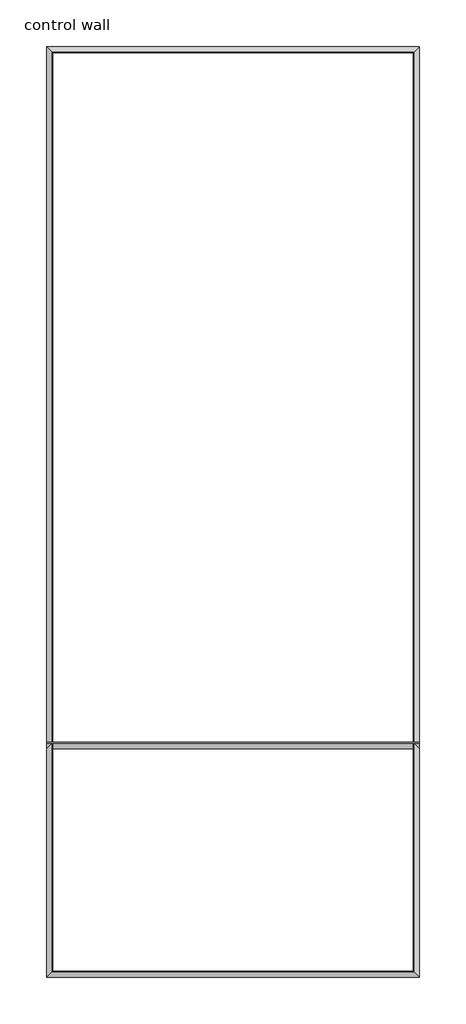
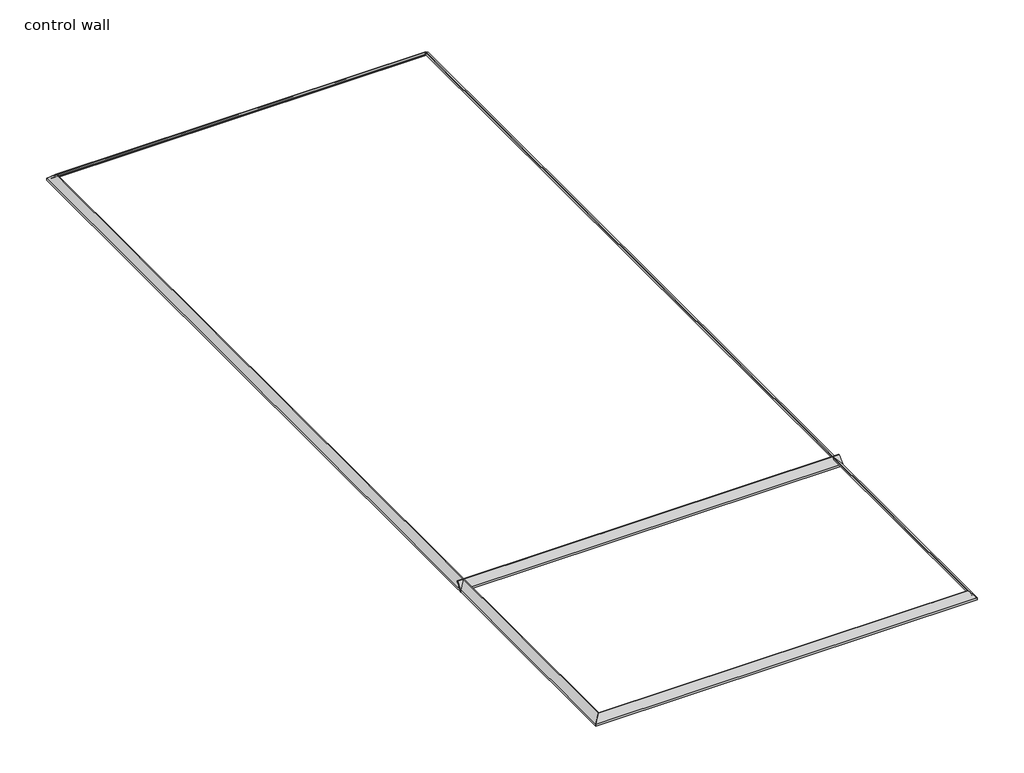
# One storey: 5 proxies.
"""IFC4 building model written with IfcOpenShell, lengths in millimetres."""

import ifcopenshell
import ifcopenshell.guid

model = None  # the IFC model being written
_history = None  # IfcOwnerHistory: only IFC2X3 demands one
_inside = {}  # id of a spatial element -> (the spatial element, [elements in it])
_under = {}  # id of a project, library or spatial element -> (it, [spatial elements below it])
_declared = {}  # id of a project -> (the project, [libraries it declares])
_typed = {}  # id of a type object -> (the type object, [elements of that type])
_made_of = {}  # id of a material, layer set ... -> (it, [elements and type objects made of it])


def new_model(schema):
    """Start an empty IFC model of exactly this schema.

    Asked for "IFC4X3", IfcOpenShell would pick the latest addendum, in which some entities
    have other attributes; the version numbers below select the first issue.
    IFC2X3 requires an IfcOwnerHistory on every rooted entity: one is made here for all.
    """
    global model, _history
    if schema == "IFC4X3":
        model = ifcopenshell.file(schema_version=(4, 3, 0, 0))
    else:
        model = ifcopenshell.file(schema=schema)
    _inside.clear()
    _under.clear()
    _declared.clear()
    _typed.clear()
    _made_of.clear()
    _history = None
    if model.schema == "IFC2X3":
        org = make("IfcOrganization", Name="unknown")
        user = make(
            "IfcPersonAndOrganization",
            ThePerson=make("IfcPerson", FamilyName="unknown"),
            TheOrganization=org,
        )
        app = make(
            "IfcApplication",
            ApplicationDeveloper=org,
            Version="unknown",
            ApplicationFullName="unknown",
            ApplicationIdentifier="unknown",
        )
        _history = make(
            "IfcOwnerHistory",
            OwningUser=user,
            OwningApplication=app,
            ChangeAction="ADDED",
            CreationDate=0,
        )
    return model


def make(cls, **values):
    """One entity of the class cls with the attributes given. An attribute that is None is left unset."""
    return model.create_entity(
        cls, **{name: value for name, value in values.items() if value is not None}
    )


def rooted(cls, **values):
    """An entity with a GlobalId (a new one), such as an element, a storey or a relation."""
    return make(cls, GlobalId=ifcopenshell.guid.new(), OwnerHistory=_history, **values)


def si_unit(unit_type, name, prefix=None):
    """IfcSIUnit, for example si_unit("LENGTHUNIT", "METRE", prefix="MILLI")."""
    return make("IfcSIUnit", UnitType=unit_type, Prefix=prefix, Name=name)


def assignment(units):
    """IfcUnitAssignment: the units of a project."""
    return None if units is None else make("IfcUnitAssignment", Units=units)


def point(xyz):
    """IfcCartesianPoint."""
    return None if xyz is None else make("IfcCartesianPoint", Coordinates=xyz)


def direction(xyz):
    """IfcDirection."""
    return None if xyz is None else make("IfcDirection", DirectionRatios=xyz)


def frame(location, z_axis=None, x_axis=None):
    """IfcAxis2Placement3D, a coordinate frame: its origin and axes. An axis left out is left unset."""
    return make(
        "IfcAxis2Placement3D",
        Location=point(location),
        Axis=direction(z_axis),
        RefDirection=direction(x_axis),
    )


def frame_2d(location, x_axis=None):
    """IfcAxis2Placement2D, a coordinate frame in the plane: its origin and x axis."""
    return make(
        "IfcAxis2Placement2D", Location=point(location), RefDirection=direction(x_axis)
    )


def origin():
    """The frame at (0, 0, 0) with its axes left unset."""
    return frame((0.0, 0.0, 0.0))


def place(relative_to, where):
    """IfcLocalPlacement: puts the frame where relative to a parent placement (None: the world)."""
    return make(
        "IfcLocalPlacement", PlacementRelTo=relative_to, RelativePlacement=where
    )


def context(
    kind, dimensions, precision=None, world=None, true_north=None, identifier=None
):
    """IfcGeometricRepresentationContext, for example the 3D "Model" context."""
    return make(
        "IfcGeometricRepresentationContext",
        ContextIdentifier=identifier,
        ContextType=kind,
        CoordinateSpaceDimension=dimensions,
        Precision=precision,
        WorldCoordinateSystem=world,
        TrueNorth=true_north,
    )


def project(units=None, contexts=None):
    """IfcProject with its units and contexts."""
    return rooted(
        "IfcProject",
        Name="project",
        RepresentationContexts=contexts,
        UnitsInContext=assignment(units),
    )


def spatial(cls, under=None, at=None, **own):
    """A site, building, storey or space (cls), placed at a placement, below another one or the project."""
    s = rooted(cls, ObjectPlacement=at, **own)
    if under is not None:
        _under.setdefault(under.id(), (under, []))[1].append(s)
    return s


def polyline(points):
    """IfcPolyline through the points."""
    return make("IfcPolyline", Points=[point(p) for p in points])


def circle_curve(where, radius):
    """IfcCircle in the frame where."""
    return make("IfcCircle", Position=where, Radius=radius)


def ellipse_curve(where, semi_axis1, semi_axis2):
    """IfcEllipse in the frame where."""
    return make(
        "IfcEllipse", Position=where, SemiAxis1=semi_axis1, SemiAxis2=semi_axis2
    )


def trimmed(basis, trim1, trim2, sense, master):
    """IfcTrimmedCurve: the piece of a basis curve between two trims."""
    return make(
        "IfcTrimmedCurve",
        BasisCurve=basis,
        Trim1=trim1,
        Trim2=trim2,
        SenseAgreement=sense,
        MasterRepresentation=master,
    )


def segment(curve, same_sense, transition):
    """IfcCompositeCurveSegment."""
    return make(
        "IfcCompositeCurveSegment",
        Transition=transition,
        SameSense=same_sense,
        ParentCurve=curve,
    )


def composite_curve(segments, self_intersect=None):
    """IfcCompositeCurve: segments joined end to end."""
    return make("IfcCompositeCurve", Segments=segments, SelfIntersect=self_intersect)


def outline(outer, holes=None, kind="AREA"):
    """IfcArbitraryClosedProfileDef: a profile drawn as a closed curve; with holes, ...WithVoids."""
    if holes is None:
        return make("IfcArbitraryClosedProfileDef", ProfileType=kind, OuterCurve=outer)
    return make(
        "IfcArbitraryProfileDefWithVoids",
        ProfileType=kind,
        OuterCurve=outer,
        InnerCurves=holes,
    )


def extrude(swept, where, along, depth):
    """IfcExtrudedAreaSolid: the profile swept, set in the frame where, extruded along a direction by depth."""
    return make(
        "IfcExtrudedAreaSolid",
        SweptArea=swept,
        Position=where,
        ExtrudedDirection=direction(along),
        Depth=depth,
    )


def shape(context_of_items, identifier, shape_type, items):
    """IfcShapeRepresentation: the items that make up one representation, for example the "Body"."""
    return make(
        "IfcShapeRepresentation",
        ContextOfItems=context_of_items,
        RepresentationIdentifier=identifier,
        RepresentationType=shape_type,
        Items=items,
    )


def made_of(thing, what):
    """Note that an element or type object is made of a material, layer set ...; save() writes the relation."""
    if what is not None:
        _made_of.setdefault(what.id(), (what, []))[1].append(thing)
    return thing


def element(
    cls,
    number,
    at=None,
    inside=None,
    cuts=None,
    type_object=None,
    material=None,
    context=None,
    identifier="Body",
    shape_type=None,
    held_by="IfcProductDefinitionShape",
    body=None,
    shapes=None,
    **own,
):
    """One element of the class cls, such as IfcWall. Its Tag is "e" and its number.

    at: its placement. inside: the storey or other place that contains it. cuts: it is an
    opening in that element (IfcRelVoidsElement). A single representation is given by context,
    identifier, shape_type and body (its items); several are given by shapes. held_by: the class
    of the entity that holds the representations. save() writes the other relations.
    """
    e = rooted(cls, Tag="e%d" % number, ObjectPlacement=at, **own)
    if body is not None:
        shapes = [shape(context, identifier, shape_type, body)]
    if shapes is not None:
        e.Representation = make(held_by, Representations=shapes)
    if inside is not None:
        _inside.setdefault(inside.id(), (inside, []))[1].append(e)
    if cuts is not None:
        rooted(
            "IfcRelVoidsElement", RelatingBuildingElement=cuts, RelatedOpeningElement=e
        )
    if type_object is not None:
        _typed.setdefault(type_object.id(), (type_object, []))[1].append(e)
    return made_of(e, material)


def aggregate(whole, parts):
    """IfcRelAggregates: a whole, such as a stair, and the parts it consists of."""
    return rooted("IfcRelAggregates", RelatingObject=whole, RelatedObjects=parts)


def save(model, path):
    """Write the relations noted so far, then the file.

    IfcRelAggregates (storeys below a building ...), IfcRelContainedInSpatialStructure (elements
    in a storey), IfcRelDefinesByType, IfcRelAssociatesMaterial and IfcRelDeclares: one each for
    every whole, place, type object, material and project.
    """
    for whole, parts in _under.values():
        aggregate(whole, parts)
    for where, things in _inside.values():
        rooted(
            "IfcRelContainedInSpatialStructure",
            RelatedElements=things,
            RelatingStructure=where,
        )
    for kind, things in _typed.values():
        rooted("IfcRelDefinesByType", RelatedObjects=things, RelatingType=kind)
    for what, things in _made_of.values():
        rooted("IfcRelAssociatesMaterial", RelatedObjects=things, RelatingMaterial=what)
    for by, libraries in _declared.values():
        rooted("IfcRelDeclares", RelatingContext=by, RelatedDefinitions=libraries)
    model.write(path)


def plane_surface(at):
    """IfcPlane: the flat surface through the origin of the frame at, square to its z axis."""
    return make("IfcPlane", Position=at)


def cylinder_surface(at, radius):
    """IfcCylindricalSurface: all points at the distance radius from the z axis of the frame at."""
    return make("IfcCylindricalSurface", Position=at, Radius=radius)


def revolved_surface(curve, axis_point, axis_direction):
    """IfcSurfaceOfRevolution: the curve turned about the line through axis_point along axis_direction."""
    return make(
        "IfcSurfaceOfRevolution",
        SweptCurve=make("IfcArbitraryOpenProfileDef", ProfileType="CURVE", Curve=curve),
        AxisPosition=make("IfcAxis1Placement", Location=point(axis_point), Axis=direction(axis_direction)),
    )


def advanced_brep(points, edges, surfaces, faces):
    """IfcAdvancedBrep: a solid bounded by faces that lie on surfaces and meet in shared edges.

    An edge is (start, end): straight between two places in points (the first is 0);
    or (start, end, curve); or (start, end, curve, False) where it runs against its curve.
    A face is (place in surfaces, loops), or (place, loops, False) where it looks against
    its surface's normal. A loop lists edges by number (the first is 1), with a minus sign
    where the edge is run from its end to its start. The first loop is the outer one.
    """
    corners = [point(p) for p in points]
    vertices = [make("IfcVertexPoint", VertexGeometry=c) for c in corners]
    made = []
    for start, end, *more in edges:
        made.append(
            make(
                "IfcEdgeCurve",
                EdgeStart=vertices[start],
                EdgeEnd=vertices[end],
                EdgeGeometry=more[0] if more else make("IfcPolyline", Points=[corners[start], corners[end]]),
                SameSense=more[1] if len(more) > 1 else True,
            )
        )
    hull = []
    for where, loops, *sense in faces:
        bounds = []
        for j, loop in enumerate(loops):
            ring = [make("IfcOrientedEdge", EdgeElement=made[abs(k) - 1], Orientation=k > 0) for k in loop]
            bounds.append(
                make(
                    "IfcFaceOuterBound" if j == 0 else "IfcFaceBound",
                    Bound=make("IfcEdgeLoop", EdgeList=ring),
                    Orientation=True,
                )
            )
        hull.append(make("IfcAdvancedFace", Bounds=bounds, FaceSurface=surfaces[where], SameSense=sense[0] if sense else True))
    return make("IfcAdvancedBrep", Outer=make("IfcClosedShell", CfsFaces=hull))


model = new_model("IFC4")

# Units and contexts
model_context = context("Model", 3, world=origin())
ifc_project = project(units=[si_unit("LENGTHUNIT", "METRE", prefix="MILLI")], contexts=[model_context])

# Site, building, storey
site = spatial("IfcSite", under=ifc_project)
building = spatial("IfcBuilding", under=site)
storey = spatial("IfcBuildingStorey", under=building, Name="control wall", Elevation=2133.6)

# Proxies
placement = place(None, origin())
element("IfcBuildingElementProxy", 1, Name="Wall Sweeps", at=placement, inside=storey, context=model_context, shape_type="AdvancedBrep", body=[
    advanced_brep(
    [(22666.9041472, -20428.0363118, 2982.9793892), (22666.9041472, -20428.0363118, 2959.1), (22657.9238911, -20419.0560557, 2959.1), (22657.9238911, -20419.0560557, 2968.0802561), (22644.4535069, -20405.5856715, 2981.5506403), (22644.4535069, -20405.5856715, 2987.9006403), (22623.928827, -20385.0609916, 3008.4253202), (22603.4041472, -20364.5363118, 3028.95), (22593.7808384, -20354.913003, 3028.95), (22593.7808384, -20354.913003, 3048.0), (22601.8835364, -20363.015701, 3048.0), (18399.7041472, -20428.0363118, 2982.9793892), (18464.724758, -20363.015701, 3048.0), (18472.827456, -20354.913003, 3048.0), (18472.827456, -20354.913003, 3028.95), (18463.2041472, -20364.5363118, 3028.95), (18442.6794673, -20385.0609916, 3008.4253202), (18422.1547875, -20405.5856715, 2987.9006403), (18422.1547875, -20405.5856715, 2981.5506403), (18408.6844033, -20419.0560557, 2968.0802561), (18408.6844033, -20419.0560557, 2959.1), (18399.7041472, -20428.0363118, 2959.1)],
    [
        (0, 1),
        (1, 2),
        (2, 3),
        (3, 4, ellipse_curve(frame((22644.4535069, -20405.5856715, 2968.0802561), z_axis=(-0.7071067811865476, -0.7071067811865476, 0.0), x_axis=(-0.7071067811865474, 0.7071067811865476, 0.0)), 19.05, 13.4703842)),
        (4, 5),
        (5, 6, ellipse_curve(frame((22644.4535069, -20405.5856715, 3008.4253202), z_axis=(0.7071067811865476, 0.7071067811865476, 0.0), x_axis=(0.7071067811865474, -0.7071067811865476, 0.0)), 29.0262806, 20.5246798)),
        (6, 7, ellipse_curve(frame((22603.4041472, -20364.5363118, 3008.4253202), z_axis=(-0.7071067811865476, -0.7071067811865476, 0.0), x_axis=(-0.7071067811865474, 0.7071067811865476, 0.0)), 29.0262806, 20.5246798)),
        (7, 8),
        (8, 9),
        (9, 10),
        (10, 0),
        (11, 12),
        (12, 13),
        (13, 14),
        (14, 15),
        (15, 16, ellipse_curve(frame((18463.2041472, -20364.5363118, 3008.4253202), z_axis=(0.7071067811865511, -0.707106781186544, 0.0), x_axis=(-0.7071067811865438, -0.7071067811865511, 0.0)), 29.0262806, 20.5246798)),
        (16, 17, ellipse_curve(frame((18422.1547875, -20405.5856715, 3008.4253202), z_axis=(-0.7071067811865511, 0.707106781186544, 0.0), x_axis=(0.7071067811865438, 0.7071067811865511, 0.0)), 29.0262806, 20.5246798)),
        (17, 18),
        (18, 19, ellipse_curve(frame((18422.1547875, -20405.5856715, 2968.0802561), z_axis=(0.7071067811865511, -0.707106781186544, 0.0), x_axis=(-0.7071067811865438, -0.7071067811865511, 0.0)), 19.05, 13.4703842)),
        (19, 20),
        (20, 21),
        (21, 11),
        (9, 13),
        (12, 10),
        (0, 11),
        (21, 1),
        (20, 2),
        (19, 3),
        (18, 4),
        (17, 5),
        (16, 6),
        (15, 7),
        (14, 8),
    ],
    [
        plane_surface(frame((22666.9041472, -20428.0363118, 3263.9), z_axis=(0.7071067811865476, 0.7071067811865476, 0.0), x_axis=(-0.7071067811865476, 0.7071067811865476, 0.0))),
        plane_surface(frame((18399.7041472, -20428.0363118, 3263.9), z_axis=(-0.7071067811865511, 0.707106781186544, 0.0), x_axis=(0.707106781186544, 0.7071067811865511, 0.0))),
        plane_surface(frame((22593.7808384, -20354.913003, 3048.0), z_axis=(0.0, 0.0, 1.0), x_axis=(-1.0, 0.0, 0.0))),
        plane_surface(frame((22666.9041472, -20428.0363118, 2982.9793892), z_axis=(0.0, -1.0, 0.0), x_axis=(-1.0, 0.0, 0.0))),
        plane_surface(frame((22666.9041472, -20428.0363118, 2959.1), z_axis=(0.0, 0.0, -1.0), x_axis=(-1.0, 0.0, 0.0))),
        plane_surface(frame((22657.9238911, -20419.0560557, 2959.1), z_axis=(0.0, 1.0, 0.0), x_axis=(-1.0, 0.0, 0.0))),
        revolved_surface(polyline([(18408.6844033, -20392.1152873, 2968.0802561), (22657.9238911, -20392.1152873, 2968.0802561)]), (22666.9041472, -20405.5856715, 2968.0802561), (-1.0, 0.0, 0.0)),
        plane_surface(frame((22644.4535069, -20405.5856715, 2981.5506403), z_axis=(0.0, 1.0, 0.0), x_axis=(-1.0, 0.0, 0.0))),
        cylinder_surface(frame((22666.9041472, -20405.5856715, 3008.4253202), z_axis=(1.0, 0.0, 0.0), x_axis=(0.0, 1.0, 0.0)), 20.5246798),
        revolved_surface(polyline([(18442.6794673, -20344.011631999998, 3008.4253202), (22623.92882704488, -20344.011631999998, 3008.4253202)]), (22666.9041472, -20364.5363118, 3008.4253202), (-1.0, 0.0, 0.0)),
        plane_surface(frame((22603.4041472, -20364.5363118, 3028.95), z_axis=(0.0, 0.0, -1.0), x_axis=(-1.0, 0.0, 0.0))),
        plane_surface(frame((22593.7808384, -20354.913003, 3028.95), z_axis=(0.0, 1.0, 0.0), x_axis=(-1.0, 0.0, 0.0))),
        plane_surface(frame((22601.8835364, -20363.015701, 3048.0), z_axis=(0.0, -0.707106781186547, 0.707106781186548), x_axis=(-1.0, 0.0, 0.0))),
    ],
    [
        (0, [[1, 2, 3, 4, 5, 6, 7, 8, 9, 10, 11]]),
        (1, [[12, 13, 14, 15, 16, 17, 18, 19, 20, 21, 22]]),
        (2, [[-10, 23, -13, 24]]),
        (3, [[-1, 25, -22, 26]]),
        (4, [[-2, -26, -21, 27]]),
        (5, [[-3, -27, -20, 28]]),
        (6, [[-4, -28, -19, 29]]),
        (7, [[-5, -29, -18, 30]]),
        (8, [[-6, -30, -17, 31]]),
        (9, [[-7, -31, -16, 32]]),
        (10, [[-8, -32, -15, 33]]),
        (11, [[-9, -33, -14, -23]]),
        (12, [[-11, -24, -12, -25]]),
    ],
),
])
element("IfcBuildingElementProxy", 2, Name="Wall Sweeps", at=placement, inside=storey, context=model_context, shape_type="AdvancedBrep", body=[
    advanced_brep(
    [(22666.9041472, -9788.5877532, 2982.9793892), (22666.9041472, -9788.5877532, 2959.1), (22657.9238911, -9797.5680093, 2959.1), (22657.9238911, -9797.5680093, 2968.0802561), (22644.4535069, -9811.0383935, 2981.5506403), (22644.4535069, -9811.0383935, 2987.9006403), (22623.928827, -9831.5630734, 3008.4253202), (22603.4041472, -9852.0877532, 3028.95), (22593.7808384, -9861.711062, 3028.95), (22593.7808384, -9861.711062, 3048.0), (22601.8835364, -9853.608364, 3048.0), (22666.9041472, -20428.0363118, 2982.9793892), (22601.8835364, -20363.015701, 3048.0), (22593.7808384, -20354.913003, 3048.0), (22593.7808384, -20354.913003, 3028.95), (22603.4041472, -20364.5363118, 3028.95), (22623.928827, -20385.0609916, 3008.4253202), (22644.4535069, -20405.5856715, 2987.9006403), (22644.4535069, -20405.5856715, 2981.5506403), (22657.9238911, -20419.0560557, 2968.0802561), (22657.9238911, -20419.0560557, 2959.1), (22666.9041472, -20428.0363118, 2959.1)],
    [
        (0, 1),
        (1, 2),
        (2, 3),
        (3, 4, ellipse_curve(frame((22644.4535069, -9811.0383935, 2968.0802561), z_axis=(0.707106781186544, -0.7071067811865511, 0.0), x_axis=(-0.7071067811865511, -0.7071067811865438, 0.0)), 19.05, 13.4703842)),
        (4, 5),
        (5, 6, ellipse_curve(frame((22644.4535069, -9811.0383935, 3008.4253202), z_axis=(-0.707106781186544, 0.7071067811865511, 0.0), x_axis=(0.7071067811865511, 0.7071067811865438, 0.0)), 29.0262806, 20.5246798)),
        (6, 7, ellipse_curve(frame((22603.4041472, -9852.0877532, 3008.4253202), z_axis=(0.707106781186544, -0.7071067811865511, 0.0), x_axis=(-0.7071067811865511, -0.7071067811865438, 0.0)), 29.0262806, 20.5246798)),
        (7, 8),
        (8, 9),
        (9, 10),
        (10, 0),
        (11, 12),
        (12, 13),
        (13, 14),
        (14, 15),
        (15, 16, ellipse_curve(frame((22603.4041472, -20364.5363118, 3008.4253202), z_axis=(0.7071067811865476, 0.7071067811865476, 0.0), x_axis=(0.7071067811865476, -0.7071067811865474, 0.0)), 29.0262806, 20.5246798)),
        (16, 17, ellipse_curve(frame((22644.4535069, -20405.5856715, 3008.4253202), z_axis=(-0.7071067811865476, -0.7071067811865476, 0.0), x_axis=(-0.7071067811865476, 0.7071067811865474, 0.0)), 29.0262806, 20.5246798)),
        (17, 18),
        (18, 19, ellipse_curve(frame((22644.4535069, -20405.5856715, 2968.0802561), z_axis=(0.7071067811865476, 0.7071067811865476, 0.0), x_axis=(0.7071067811865476, -0.7071067811865474, 0.0)), 19.05, 13.4703842)),
        (19, 20),
        (20, 21),
        (21, 11),
        (9, 13),
        (12, 10),
        (0, 11),
        (21, 1),
        (20, 2),
        (19, 3),
        (18, 4),
        (17, 5),
        (16, 6),
        (15, 7),
        (14, 8),
    ],
    [
        plane_surface(frame((22666.9041472, -9788.5877532, 3263.9), z_axis=(-0.707106781186544, 0.7071067811865511, 0.0), x_axis=(-0.7071067811865511, -0.707106781186544, 0.0))),
        plane_surface(frame((22666.9041472, -20428.0363118, 3263.9), z_axis=(-0.7071067811865476, -0.7071067811865476, 0.0), x_axis=(-0.7071067811865476, 0.7071067811865476, 0.0))),
        plane_surface(frame((22593.7808384, -9861.711062, 3048.0), z_axis=(0.0, 0.0, 1.0), x_axis=(0.0, -1.0, 0.0))),
        plane_surface(frame((22666.9041472, -9788.5877532, 2982.9793892), z_axis=(1.0, 0.0, 0.0), x_axis=(0.0, -1.0, 0.0))),
        plane_surface(frame((22666.9041472, -9788.5877532, 2959.1), z_axis=(0.0, 0.0, -1.0), x_axis=(0.0, -1.0, 0.0))),
        plane_surface(frame((22657.9238911, -9797.5680093, 2959.1), z_axis=(-1.0, 0.0, 0.0), x_axis=(0.0, -1.0, 0.0))),
        revolved_surface(polyline([(22630.9831227, -20419.0560557, 2968.0802561), (22630.9831227, -9797.5680093, 2968.0802561)]), (22644.4535069, -9788.5877532, 2968.0802561), (0.0, -1.0, 0.0)),
        plane_surface(frame((22644.4535069, -9811.0383935, 2981.5506403), z_axis=(-1.0, 0.0, 0.0), x_axis=(0.0, -1.0, 0.0))),
        cylinder_surface(frame((22644.4535069, -9788.5877532, 3008.4253202), z_axis=(0.0, 1.0, 0.0), x_axis=(-1.0, 0.0, 0.0)), 20.5246798),
        revolved_surface(polyline([(22582.8794674, -20385.06099164488, 3008.4253202), (22582.8794674, -9831.563073355115, 3008.4253202)]), (22603.4041472, -9788.5877532, 3008.4253202), (0.0, -1.0, 0.0)),
        plane_surface(frame((22603.4041472, -9852.0877532, 3028.95), z_axis=(0.0, 0.0, -1.0), x_axis=(0.0, -1.0, 0.0))),
        plane_surface(frame((22593.7808384, -9861.711062, 3028.95), z_axis=(-1.0, 0.0, 0.0), x_axis=(0.0, -1.0, 0.0))),
        plane_surface(frame((22601.8835364, -9853.608364, 3048.0), z_axis=(0.707106781186547, 0.0, 0.707106781186548), x_axis=(0.0, -1.0, 0.0))),
    ],
    [
        (0, [[1, 2, 3, 4, 5, 6, 7, 8, 9, 10, 11]]),
        (1, [[12, 13, 14, 15, 16, 17, 18, 19, 20, 21, 22]]),
        (2, [[-10, 23, -13, 24]]),
        (3, [[-1, 25, -22, 26]]),
        (4, [[-2, -26, -21, 27]]),
        (5, [[-3, -27, -20, 28]]),
        (6, [[-4, -28, -19, 29]]),
        (7, [[-5, -29, -18, 30]]),
        (8, [[-6, -30, -17, 31]]),
        (9, [[-7, -31, -16, 32]]),
        (10, [[-8, -32, -15, 33]]),
        (11, [[-9, -33, -14, -23]]),
        (12, [[-11, -24, -12, -25]]),
    ],
),
])
element("IfcBuildingElementProxy", 3, Name="Wall Sweeps", at=placement, inside=storey, context=model_context, shape_type="AdvancedBrep", body=[
    advanced_brep(
    [(18399.7041472, -9788.5877532, 2982.9793892), (18399.7041472, -9788.5877532, 2959.1), (18408.6844033, -9797.5680093, 2959.1), (18408.6844033, -9797.5680093, 2968.0802561), (18422.1547875, -9811.0383935, 2981.5506403), (18422.1547875, -9811.0383935, 2987.9006403), (18442.6794673, -9831.5630734, 3008.4253202), (18463.2041472, -9852.0877532, 3028.95), (18472.827456, -9861.711062, 3028.95), (18472.827456, -9861.711062, 3048.0), (18464.724758, -9853.608364, 3048.0), (22666.9041472, -9788.5877532, 2982.9793892), (22601.8835364, -9853.608364, 3048.0), (22593.7808384, -9861.711062, 3048.0), (22593.7808384, -9861.711062, 3028.95), (22603.4041472, -9852.0877532, 3028.95), (22623.928827, -9831.5630734, 3008.4253202), (22644.4535069, -9811.0383935, 2987.9006403), (22644.4535069, -9811.0383935, 2981.5506403), (22657.9238911, -9797.5680093, 2968.0802561), (22657.9238911, -9797.5680093, 2959.1), (22666.9041472, -9788.5877532, 2959.1)],
    [
        (0, 1),
        (1, 2),
        (2, 3),
        (3, 4, ellipse_curve(frame((18422.1547875, -9811.0383935, 2968.0802561), z_axis=(0.7071067811865476, 0.7071067811865476, 0.0), x_axis=(0.7071067811865474, -0.7071067811865476, 0.0)), 19.05, 13.4703842)),
        (4, 5),
        (5, 6, ellipse_curve(frame((18422.1547875, -9811.0383935, 3008.4253202), z_axis=(-0.7071067811865476, -0.7071067811865476, 0.0), x_axis=(-0.7071067811865474, 0.7071067811865476, 0.0)), 29.0262806, 20.5246798)),
        (6, 7, ellipse_curve(frame((18463.2041472, -9852.0877532, 3008.4253202), z_axis=(0.7071067811865476, 0.7071067811865476, 0.0), x_axis=(0.7071067811865474, -0.7071067811865476, 0.0)), 29.0262806, 20.5246798)),
        (7, 8),
        (8, 9),
        (9, 10),
        (10, 0),
        (11, 12),
        (12, 13),
        (13, 14),
        (14, 15),
        (15, 16, ellipse_curve(frame((22603.4041472, -9852.0877532, 3008.4253202), z_axis=(-0.707106781186544, 0.7071067811865511, 0.0), x_axis=(0.707106781186551, 0.7071067811865439, 0.0)), 29.0262806, 20.5246798)),
        (16, 17, ellipse_curve(frame((22644.4535069, -9811.0383935, 3008.4253202), z_axis=(0.707106781186544, -0.7071067811865511, 0.0), x_axis=(-0.707106781186551, -0.7071067811865439, 0.0)), 29.0262806, 20.5246798)),
        (17, 18),
        (18, 19, ellipse_curve(frame((22644.4535069, -9811.0383935, 2968.0802561), z_axis=(-0.707106781186544, 0.7071067811865511, 0.0), x_axis=(0.707106781186551, 0.7071067811865439, 0.0)), 19.05, 13.4703842)),
        (19, 20),
        (20, 21),
        (21, 11),
        (9, 13),
        (12, 10),
        (0, 11),
        (21, 1),
        (20, 2),
        (19, 3),
        (18, 4),
        (17, 5),
        (16, 6),
        (15, 7),
        (14, 8),
    ],
    [
        plane_surface(frame((18399.7041472, -9788.5877532, 3263.9), z_axis=(-0.7071067811865476, -0.7071067811865476, 0.0), x_axis=(0.7071067811865476, -0.7071067811865476, 0.0))),
        plane_surface(frame((22666.9041472, -9788.5877532, 3263.9), z_axis=(0.707106781186544, -0.7071067811865511, 0.0), x_axis=(-0.7071067811865511, -0.707106781186544, 0.0))),
        plane_surface(frame((18472.827456, -9861.711062, 3048.0), z_axis=(0.0, 0.0, 1.0), x_axis=(1.0, 0.0, 0.0))),
        plane_surface(frame((18399.7041472, -9788.5877532, 2982.9793892), z_axis=(0.0, 1.0, 0.0), x_axis=(1.0, 0.0, 0.0))),
        plane_surface(frame((18399.7041472, -9788.5877532, 2959.1), z_axis=(0.0, 0.0, -1.0), x_axis=(1.0, 0.0, 0.0))),
        plane_surface(frame((18408.6844033, -9797.5680093, 2959.1), z_axis=(0.0, -1.0, 0.0), x_axis=(1.0, 0.0, 0.0))),
        revolved_surface(polyline([(22657.9238911, -9824.5087777, 2968.0802561), (18408.6844033, -9824.5087777, 2968.0802561)]), (18399.7041472, -9811.0383935, 2968.0802561), (1.0, 0.0, 0.0)),
        plane_surface(frame((18422.1547875, -9811.0383935, 2981.5506403), z_axis=(0.0, -1.0, 0.0), x_axis=(1.0, 0.0, 0.0))),
        cylinder_surface(frame((18399.7041472, -9811.0383935, 3008.4253202), z_axis=(-1.0, 0.0, 0.0), x_axis=(0.0, -1.0, 0.0)), 20.5246798),
        revolved_surface(polyline([(22623.92882704488, -9872.612433, 3008.4253202), (18442.6794673, -9872.612433, 3008.4253202)]), (18399.7041472, -9852.0877532, 3008.4253202), (1.0, 0.0, 0.0)),
        plane_surface(frame((18463.2041472, -9852.0877532, 3028.95), z_axis=(0.0, 0.0, -1.0), x_axis=(1.0, 0.0, 0.0))),
        plane_surface(frame((18472.827456, -9861.711062, 3028.95), z_axis=(0.0, -1.0, 0.0), x_axis=(1.0, 0.0, 0.0))),
        plane_surface(frame((18464.724758, -9853.608364, 3048.0), z_axis=(0.0, 0.707106781186547, 0.707106781186548), x_axis=(1.0, 0.0, 0.0))),
    ],
    [
        (0, [[1, 2, 3, 4, 5, 6, 7, 8, 9, 10, 11]]),
        (1, [[12, 13, 14, 15, 16, 17, 18, 19, 20, 21, 22]]),
        (2, [[-10, 23, -13, 24]]),
        (3, [[-1, 25, -22, 26]]),
        (4, [[-2, -26, -21, 27]]),
        (5, [[-3, -27, -20, 28]]),
        (6, [[-4, -28, -19, 29]]),
        (7, [[-5, -29, -18, 30]]),
        (8, [[-6, -30, -17, 31]]),
        (9, [[-7, -31, -16, 32]]),
        (10, [[-8, -32, -15, 33]]),
        (11, [[-9, -33, -14, -23]]),
        (12, [[-11, -24, -12, -25]]),
    ],
),
])
element("IfcBuildingElementProxy", 4, Name="Wall Sweeps", at=placement, inside=storey, context=model_context, shape_type="AdvancedBrep", body=[
    advanced_brep(
    [(18399.7041472, -20428.0363118, 2982.9793892), (18399.7041472, -20428.0363118, 2959.1), (18408.6844033, -20419.0560557, 2959.1), (18408.6844033, -20419.0560557, 2968.0802561), (18422.1547875, -20405.5856715, 2981.5506403), (18422.1547875, -20405.5856715, 2987.9006403), (18442.6794673, -20385.0609916, 3008.4253202), (18463.2041472, -20364.5363118, 3028.95), (18472.827456, -20354.913003, 3028.95), (18472.827456, -20354.913003, 3048.0), (18464.724758, -20363.015701, 3048.0), (18399.7041472, -9788.5877532, 2982.9793892), (18464.724758, -9853.608364, 3048.0), (18472.827456, -9861.711062, 3048.0), (18472.827456, -9861.711062, 3028.95), (18463.2041472, -9852.0877532, 3028.95), (18442.6794673, -9831.5630734, 3008.4253202), (18422.1547875, -9811.0383935, 2987.9006403), (18422.1547875, -9811.0383935, 2981.5506403), (18408.6844033, -9797.5680093, 2968.0802561), (18408.6844033, -9797.5680093, 2959.1), (18399.7041472, -9788.5877532, 2959.1)],
    [
        (0, 1),
        (1, 2),
        (2, 3),
        (3, 4, ellipse_curve(frame((18422.1547875, -20405.5856715, 2968.0802561), z_axis=(-0.7071067811865511, 0.707106781186544, 0.0), x_axis=(0.7071067811865441, 0.7071067811865509, 0.0)), 19.05, 13.4703842)),
        (4, 5),
        (5, 6, ellipse_curve(frame((18422.1547875, -20405.5856715, 3008.4253202), z_axis=(0.7071067811865511, -0.707106781186544, 0.0), x_axis=(-0.7071067811865441, -0.7071067811865509, 0.0)), 29.0262806, 20.5246798)),
        (6, 7, ellipse_curve(frame((18463.2041472, -20364.5363118, 3008.4253202), z_axis=(-0.7071067811865511, 0.707106781186544, 0.0), x_axis=(0.7071067811865441, 0.7071067811865509, 0.0)), 29.0262806, 20.5246798)),
        (7, 8),
        (8, 9),
        (9, 10),
        (10, 0),
        (11, 12),
        (12, 13),
        (13, 14),
        (14, 15),
        (15, 16, ellipse_curve(frame((18463.2041472, -9852.0877532, 3008.4253202), z_axis=(-0.7071067811865476, -0.7071067811865476, 0.0), x_axis=(-0.7071067811865476, 0.7071067811865474, 0.0)), 29.0262806, 20.5246798)),
        (16, 17, ellipse_curve(frame((18422.1547875, -9811.0383935, 3008.4253202), z_axis=(0.7071067811865476, 0.7071067811865476, 0.0), x_axis=(0.7071067811865476, -0.7071067811865474, 0.0)), 29.0262806, 20.5246798)),
        (17, 18),
        (18, 19, ellipse_curve(frame((18422.1547875, -9811.0383935, 2968.0802561), z_axis=(-0.7071067811865476, -0.7071067811865476, 0.0), x_axis=(-0.7071067811865476, 0.7071067811865474, 0.0)), 19.05, 13.4703842)),
        (19, 20),
        (20, 21),
        (21, 11),
        (9, 13),
        (12, 10),
        (0, 11),
        (21, 1),
        (20, 2),
        (19, 3),
        (18, 4),
        (17, 5),
        (16, 6),
        (15, 7),
        (14, 8),
    ],
    [
        plane_surface(frame((18399.7041472, -20428.0363118, 3263.9), z_axis=(0.7071067811865511, -0.707106781186544, 0.0), x_axis=(0.707106781186544, 0.7071067811865511, 0.0))),
        plane_surface(frame((18399.7041472, -9788.5877532, 3263.9), z_axis=(0.7071067811865476, 0.7071067811865476, 0.0), x_axis=(0.7071067811865476, -0.7071067811865476, 0.0))),
        plane_surface(frame((18472.827456, -20354.913003, 3048.0), z_axis=(0.0, 0.0, 1.0), x_axis=(0.0, 1.0, 0.0))),
        plane_surface(frame((18399.7041472, -20428.0363118, 2982.9793892), z_axis=(-1.0, 0.0, 0.0), x_axis=(0.0, 1.0, 0.0))),
        plane_surface(frame((18399.7041472, -20428.0363118, 2959.1), z_axis=(0.0, 0.0, -1.0), x_axis=(0.0, 1.0, 0.0))),
        plane_surface(frame((18408.6844033, -20419.0560557, 2959.1), z_axis=(1.0, 0.0, 0.0), x_axis=(0.0, 1.0, 0.0))),
        revolved_surface(polyline([(18435.6251717, -9797.5680093, 2968.0802561), (18435.6251717, -20419.0560557, 2968.0802561)]), (18422.1547875, -20428.0363118, 2968.0802561), (0.0, 1.0, 0.0)),
        plane_surface(frame((18422.1547875, -20405.5856715, 2981.5506403), z_axis=(1.0, 0.0, 0.0), x_axis=(0.0, 1.0, 0.0))),
        cylinder_surface(frame((18422.1547875, -20428.0363118, 3008.4253202), z_axis=(0.0, -1.0, 0.0), x_axis=(1.0, 0.0, 0.0)), 20.5246798),
        revolved_surface(polyline([(18483.728827, -9831.563073355115, 3008.4253202), (18483.728827, -20385.06099164488, 3008.4253202)]), (18463.2041472, -20428.0363118, 3008.4253202), (0.0, 1.0, 0.0)),
        plane_surface(frame((18463.2041472, -20364.5363118, 3028.95), z_axis=(0.0, 0.0, -1.0), x_axis=(0.0, 1.0, 0.0))),
        plane_surface(frame((18472.827456, -20354.913003, 3028.95), z_axis=(1.0, 0.0, 0.0), x_axis=(0.0, 1.0, 0.0))),
        plane_surface(frame((18464.724758, -20363.015701, 3048.0), z_axis=(-0.707106781186547, 0.0, 0.707106781186548), x_axis=(0.0, 1.0, 0.0))),
    ],
    [
        (0, [[1, 2, 3, 4, 5, 6, 7, 8, 9, 10, 11]]),
        (1, [[12, 13, 14, 15, 16, 17, 18, 19, 20, 21, 22]]),
        (2, [[-10, 23, -13, 24]]),
        (3, [[-1, 25, -22, 26]]),
        (4, [[-2, -26, -21, 27]]),
        (5, [[-3, -27, -20, 28]]),
        (6, [[-4, -28, -19, 29]]),
        (7, [[-5, -29, -18, 30]]),
        (8, [[-6, -30, -17, 31]]),
        (9, [[-7, -31, -16, 32]]),
        (10, [[-8, -32, -15, 33]]),
        (11, [[-9, -33, -14, -23]]),
        (12, [[-11, -24, -12, -25]]),
    ],
),
])
element("IfcBuildingElementProxy", 5, Name="Wall Sweeps", at=placement, inside=storey, context=model_context, shape_type="SweptSolid", body=[
    extrude(outline(composite_curve([segment(polyline([(-17815.0113118, 2982.9793892), (-17749.990701, 3048.0), (-17741.888003, 3048.0), (-17741.888003, 3028.95), (-17751.5113118, 3028.95)]), True, "CONTINUOUS"), segment(trimmed(circle_curve(frame_2d((-17751.5113118, 3008.4253202)), 20.5246798), [point((-17751.5113118, 3028.95))], [point((-17772.0359916, 3008.4253202))], True, "CARTESIAN"), True, "CONTINUOUS"), segment(trimmed(circle_curve(frame_2d((-17792.5606715, 3008.4253202)), 20.5246798), [point((-17772.0359916, 3008.4253202))], [point((-17792.5606715, 2987.9006403))], False, "CARTESIAN"), True, "CONTINUOUS"), segment(polyline([(-17792.5606715, 2987.9006403), (-17792.5606715, 2981.5506403)]), True, "CONTINUOUS"), segment(trimmed(circle_curve(frame_2d((-17792.5606715, 2968.0802561)), 13.4703842), [point((-17792.5606715, 2981.5506403))], [point((-17806.0310557, 2968.0802561))], True, "CARTESIAN"), True, "CONTINUOUS"), segment(polyline([(-17806.0310557, 2968.0802561), (-17806.0310557, 2959.1), (-17815.0113118, 2959.1), (-17815.0113118, 2982.9793892)]), True, "CONTINUOUS")], self_intersect=False)), frame((18399.7041472, 0.0, 0.0), z_axis=(1.0, 0.0, 0.0), x_axis=(0.0, 1.0, 0.0)), (0.0, 0.0, 1.0), 4267.2),
])

save(model, "model.ifc")
